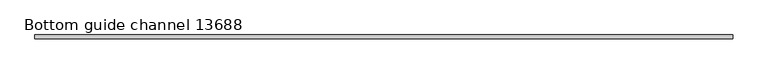
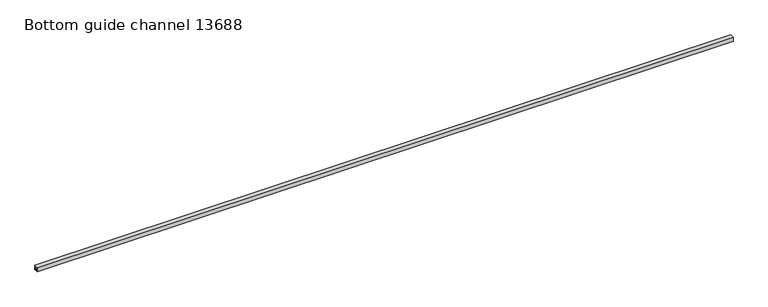
"""IFC4 building model written with IfcOpenShell, lengths in millimetres: proxy geometry, Bottom guide channel 13688."""

from ifc_helpers import new_model, si_unit, frame, origin, place, context, project, spatial, polyline, outline, extrude, source, transform, mapped, element, save


def bottom_guide_channel_13688_48cf0d01(model_context):
    return source(origin(), model_context, "Body", "SweptSolid", [
        extrude(outline(polyline([(-14.0, 0.0), (-14.0, 32.0), (14.0, 32.0), (14.0, 0.0), (6.0, 0.0), (6.0, 3.0), (11.0, 3.0), (11.0, 29.0), (-10.9166556, 29.0), (-10.9166556, 3.0), (-6.0, 3.0), (-6.0, 0.0), (-14.0, 0.0)])), frame((0.0, 0.0, 0.0), z_axis=(1.0, 0.0, 0.0), x_axis=(0.0, 1.0, 0.0)), (0.0, 0.0, 1.0), 4960.0),
    ])


if __name__ == "__main__":
    model = new_model("IFC4")
    model_context = context("Model", 3, world=origin())
    ifc_project = project(units=[si_unit("LENGTHUNIT", "METRE", prefix="MILLI")], contexts=[model_context])
    site = spatial("IfcSite", under=ifc_project)
    building = spatial("IfcBuilding", under=site)
    placement = place(None, origin())
    bottom_guide_channel_13688_shape = bottom_guide_channel_13688_48cf0d01(model_context)
    element("IfcBuildingElementProxy", 1, Name="Bottom guide channel 13688", ObjectType="Bottom guide channel 13688", at=placement, inside=building, context=model_context, shape_type="MappedRepresentation", body=[
        mapped(bottom_guide_channel_13688_shape, transform((0.0, 0.0, 0.0), x_axis=(1.0, 0.0, 0.0), y_axis=(0.0, 1.0, 0.0), z_axis=(0.0, 0.0, 1.0))),
    ])
    save(model, "model.ifc")
